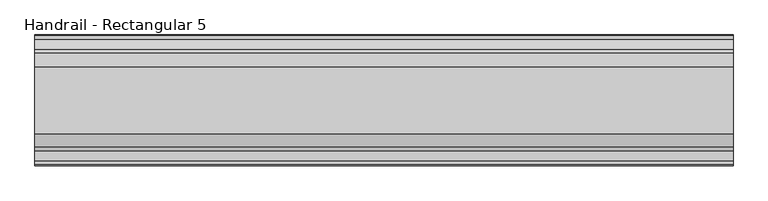
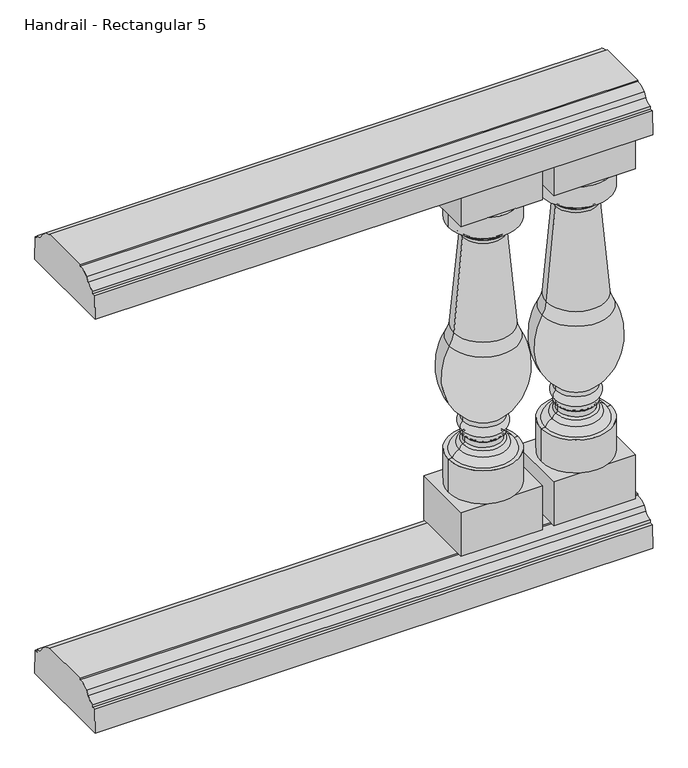
"""IFC4 building model written with IfcOpenShell, lengths in millimetres: railing geometry, Handrail - Rectangular 5."""

from ifc_helpers import new_model, si_unit, point, frame, frame_2d, origin, place, context, project, spatial, polyline, circle_curve, ellipse_curve, trimmed, segment, composite_curve, outline, extrude, source, transform, mapped, element, save
from ifc_brep_helpers import plane_surface, cylinder_surface, revolved_surface, advanced_brep


def handrail_rectangular_5_c5149865(model_context):
    return source(origin(), model_context, "Body", "SolidModel", [
        extrude(outline(composite_curve([segment(trimmed(circle_curve(frame_2d((2037.3551798, 1054.89375)), 19.84375), [point((2037.3551798, 1035.05))], [point((2054.4756216, 1044.8605607))], True, "CARTESIAN"), True, "CONTINUOUS"), segment(polyline([(2054.4756216, 1044.8605607), (2060.9356936, 1054.3201059)]), True, "CONTINUOUS"), segment(trimmed(circle_curve(frame_2d((2084.9801798, 1027.90625)), 35.71875), [point((2060.9356936, 1054.3201059))], [point((2084.9801798, 1063.625))], False, "CARTESIAN"), True, "CONTINUOUS"), segment(polyline([(2084.9801798, 1063.625), (2084.9801798, 1066.8), (2200.8676798, 1066.8), (2200.8676798, 1063.625)]), True, "CONTINUOUS"), segment(trimmed(circle_curve(frame_2d((2200.8676798, 1027.90625)), 35.71875), [point((2200.8676798, 1063.625))], [point((2224.912166, 1054.3201059))], False, "CARTESIAN"), True, "CONTINUOUS"), segment(polyline([(2224.912166, 1054.3201059), (2231.372238, 1044.8605607)]), True, "CONTINUOUS"), segment(trimmed(circle_curve(frame_2d((2248.4926798, 1054.89375)), 19.84375), [point((2231.372238, 1044.8605607))], [point((2248.4926798, 1035.05))], True, "CARTESIAN"), True, "CONTINUOUS"), segment(polyline([(2248.4926798, 1035.05), (2248.4926798, 1028.7), (2255.6364298, 1028.7), (2257.2239298, 974.725), (2028.6239298, 974.725), (2030.2114298, 1028.7), (2037.3551798, 1028.7), (2037.3551798, 1035.05)]), True, "CONTINUOUS")], self_intersect=False)), frame((11962.7566037, 0.0, 0.0), z_axis=(1.0, 0.0, 0.0), x_axis=(0.0, 1.0, 0.0)), (0.0, 0.0, 1.0), 1219.2),
        extrude(outline(composite_curve([segment(trimmed(circle_curve(frame_2d((2037.3551798, 99.21875)), 19.84375), [point((2037.3551798, 79.375))], [point((2054.4756216, 89.1855607))], True, "CARTESIAN"), True, "CONTINUOUS"), segment(polyline([(2054.4756216, 89.1855607), (2060.9356936, 98.6451059)]), True, "CONTINUOUS"), segment(trimmed(circle_curve(frame_2d((2084.9801798, 72.23125)), 35.71875), [point((2060.9356936, 98.6451059))], [point((2084.9801798, 107.95))], False, "CARTESIAN"), True, "CONTINUOUS"), segment(polyline([(2084.9801798, 107.95), (2084.9801798, 111.125), (2200.8676798, 111.125), (2200.8676798, 107.95)]), True, "CONTINUOUS"), segment(trimmed(circle_curve(frame_2d((2200.8676798, 72.23125)), 35.71875), [point((2200.8676798, 107.95))], [point((2224.912166, 98.6451059))], False, "CARTESIAN"), True, "CONTINUOUS"), segment(polyline([(2224.912166, 98.6451059), (2231.372238, 89.1855607)]), True, "CONTINUOUS"), segment(trimmed(circle_curve(frame_2d((2248.4926798, 99.21875)), 19.84375), [point((2231.372238, 89.1855607))], [point((2248.4926798, 79.375))], True, "CARTESIAN"), True, "CONTINUOUS"), segment(polyline([(2248.4926798, 79.375), (2248.4926798, 73.025), (2255.6364298, 73.025), (2257.2239298, 19.05), (2028.6239298, 19.05), (2030.2114298, 73.025), (2037.3551798, 73.025), (2037.3551798, 79.375)]), True, "CONTINUOUS")], self_intersect=False)), frame((11962.7566037, 0.0, 0.0), z_axis=(1.0, 0.0, 0.0), x_axis=(0.0, 1.0, 0.0)), (0.0, 0.0, 1.0), 1219.2),
        advanced_brep(
        [(13004.1566037, 2142.9239298, 873.125), (13156.5566037, 2142.9239298, 873.125), (13080.3566037, 2142.9239298, 873.125), (13004.1566037, 2142.9239298, 825.4490755), (13156.5566037, 2142.9239298, 825.4490755), (13014.199835, 2142.9239298, 825.4490755), (13146.5133725, 2142.9239298, 825.4490755), (13025.6831249, 2142.9239298, 813.9657856), (13135.0300826, 2142.9239298, 813.9657856), (13025.6831249, 2142.9239298, 808.3461292), (13135.0300826, 2142.9239298, 808.3461292), (13031.385312, 2142.9239298, 802.2016975), (13129.3278955, 2142.9239298, 802.2016975), (13034.7271078, 2142.9239298, 792.8428746), (13125.9860997, 2142.9239298, 792.8428746), (13015.9596018, 2142.9239298, 577.4758218), (13144.7536056, 2142.9239298, 577.4758218), (13006.9423791, 2142.9239298, 549.5125844), (13153.7708283, 2142.9239298, 549.5125844), (13036.2132114, 2142.9239298, 376.7693301), (13124.499996, 2142.9239298, 376.7693301), (13036.2132114, 2142.9239298, 366.4437154), (13124.499996, 2142.9239298, 366.4437154), (13036.2132114, 2142.9239298, 343.8682651), (13124.499996, 2142.9239298, 343.8682651), (13036.2132114, 2142.9239298, 333.5426504), (13124.499996, 2142.9239298, 333.5426504), (13040.5236517, 2142.9239298, 329.2322102), (13120.1895558, 2142.9239298, 329.2322102), (13040.5236517, 2142.9239298, 317.4353211), (13120.1895558, 2142.9239298, 317.4353211), (13036.0258586, 2142.9239298, 313.1289544), (13124.6873488, 2142.9239298, 313.1289544), (13028.5054015, 2142.9239298, 303.0807869), (13132.2078059, 2142.9239298, 303.0807869), (13013.3567928, 2142.9239298, 288.925), (13147.3564146, 2142.9239298, 288.925), (13004.1566037, 2142.9239298, 288.925), (13156.5566037, 2142.9239298, 288.925), (13004.1566037, 2142.9239298, 212.725), (13156.5566037, 2142.9239298, 212.725), (13080.3566037, 2142.9239298, 212.725)],
        [
            (0, 1, circle_curve(frame((13080.3566037, 2142.9239298, 873.125), z_axis=(0.0, 0.0, 1.0), x_axis=(1.0, 0.0, 0.0)), 76.2)),
            (1, 2),
            (2, 0),
            (1, 0, circle_curve(frame((13080.3566037, 2142.9239298, 873.125), z_axis=(0.0, 0.0, 1.0), x_axis=(1.0, 0.0, 0.0)), 76.2)),
            (3, 4, circle_curve(frame((13080.3566037, 2142.9239298, 825.4490755), z_axis=(0.0, 0.0, 1.0), x_axis=(1.0, 0.0, 0.0)), 76.2)),
            (4, 1),
            (0, 3),
            (4, 3, circle_curve(frame((13080.3566037, 2142.9239298, 825.4490755), z_axis=(0.0, 0.0, 1.0), x_axis=(1.0, 0.0, 0.0)), 76.2)),
            (5, 6, circle_curve(frame((13080.3566037, 2142.9239298, 825.4490755), z_axis=(0.0, 0.0, 1.0), x_axis=(1.0, 0.0, 0.0)), 66.1567687)),
            (6, 4),
            (3, 5),
            (6, 5, circle_curve(frame((13080.3566037, 2142.9239298, 825.4490755), z_axis=(0.0, 0.0, 1.0), x_axis=(1.0, 0.0, 0.0)), 66.1567687)),
            (7, 8, circle_curve(frame((13080.3566037, 2142.9239298, 813.9657856), z_axis=(0.0, 0.0, 1.0), x_axis=(1.0, 0.0, 0.0)), 54.6734788)),
            (8, 6, circle_curve(frame((13135.0300826, 2142.9239298, 825.4490755), z_axis=(0.0, -1.0, 0.0), x_axis=(-1.0, 0.0, 0.0)), 11.4832899)),
            (5, 7, circle_curve(frame((13025.6831249, 2142.9239298, 825.4490755), z_axis=(0.0, -1.0, 0.0), x_axis=(1.0, 0.0, 0.0)), 11.4832899)),
            (8, 7, circle_curve(frame((13080.3566037, 2142.9239298, 813.9657856), z_axis=(0.0, 0.0, 1.0), x_axis=(1.0, 0.0, 0.0)), 54.6734788)),
            (9, 10, circle_curve(frame((13080.3566037, 2142.9239298, 808.3461292), z_axis=(0.0, 0.0, 1.0), x_axis=(1.0, 0.0, 0.0)), 54.6734788)),
            (10, 8),
            (7, 9),
            (10, 9, circle_curve(frame((13080.3566037, 2142.9239298, 808.3461292), z_axis=(0.0, 0.0, 1.0), x_axis=(1.0, 0.0, 0.0)), 54.6734788)),
            (11, 12, circle_curve(frame((13080.3566037, 2142.9239298, 802.2016975), z_axis=(0.0, 0.0, 1.0), x_axis=(1.0, 0.0, 0.0)), 48.9712918)),
            (12, 10, circle_curve(frame((13142.738943, 2142.9239298, 795.4740105), z_axis=(0.0, 1.0, 0.0), x_axis=(-1.0, 0.0, 0.0)), 15.0039317)),
            (9, 11, circle_curve(frame((13017.9742645, 2142.9239298, 795.4740105), z_axis=(0.0, 1.0, 0.0), x_axis=(1.0, 0.0, 0.0)), 15.0039317)),
            (12, 11, circle_curve(frame((13080.3566037, 2142.9239298, 802.2016975), z_axis=(0.0, 0.0, 1.0), x_axis=(1.0, 0.0, 0.0)), 48.9712918)),
            (13, 14, circle_curve(frame((13080.3566037, 2142.9239298, 792.8428746), z_axis=(0.0, 0.0, 1.0), x_axis=(1.0, 0.0, 0.0)), 45.629496)),
            (14, 12, circle_curve(frame((13138.663988, 2142.9239298, 793.5919719), z_axis=(0.0, 1.0, 0.0), x_axis=(-1.0, 0.0, 0.0)), 12.7)),
            (11, 13, circle_curve(frame((13022.0492194, 2142.9239298, 793.5919719), z_axis=(0.0, 1.0, 0.0), x_axis=(1.0, 0.0, 0.0)), 12.7)),
            (14, 13, circle_curve(frame((13080.3566037, 2142.9239298, 792.8428746), z_axis=(0.0, 0.0, 1.0), x_axis=(1.0, 0.0, 0.0)), 45.629496)),
            (15, 16, circle_curve(frame((13080.3566037, 2142.9239298, 577.4758218), z_axis=(0.0, 0.0, 1.0), x_axis=(1.0, 0.0, 0.0)), 64.3970019)),
            (16, 14, circle_curve(frame((16993.4276241, 2142.9239298, 1021.358044), z_axis=(0.0, 1.0, 0.0), x_axis=(-1.0, 0.0, 0.0)), 3874.1867698)),
            (13, 15, circle_curve(frame((9167.2855833, 2142.9239298, 1021.358044), z_axis=(0.0, 1.0, 0.0), x_axis=(1.0, 0.0, 0.0)), 3874.1867698)),
            (16, 15, circle_curve(frame((13080.3566037, 2142.9239298, 577.4758218), z_axis=(0.0, 0.0, 1.0), x_axis=(1.0, 0.0, 0.0)), 64.3970019)),
            (17, 18, circle_curve(frame((13080.3566037, 2142.9239298, 549.5125844), z_axis=(0.0, 0.0, 1.0), x_axis=(1.0, 0.0, 0.0)), 73.4142246)),
            (18, 16, circle_curve(frame((13219.2732583, 2142.9239298, 586.070457), z_axis=(0.0, 1.0, 0.0), x_axis=(-1.0, 0.0, 0.0)), 75.0136413)),
            (15, 17, circle_curve(frame((12941.4399492, 2142.9239298, 586.070457), z_axis=(0.0, 1.0, 0.0), x_axis=(1.0, 0.0, 0.0)), 75.0136413)),
            (18, 17, circle_curve(frame((13080.3566037, 2142.9239298, 549.5125844), z_axis=(0.0, 0.0, 1.0), x_axis=(1.0, 0.0, 0.0)), 73.4142246)),
            (19, 20, circle_curve(frame((13080.3566037, 2142.9239298, 376.7693301), z_axis=(0.0, 0.0, 1.0), x_axis=(1.0, 0.0, 0.0)), 44.1433923)),
            (20, 18, circle_curve(frame((13031.648479, 2142.9239298, 481.3542994), z_axis=(0.0, -1.0, 0.0), x_axis=(-1.0, 0.0, 0.0)), 139.8549964)),
            (17, 19, circle_curve(frame((13129.0647284, 2142.9239298, 481.3542994), z_axis=(0.0, -1.0, 0.0), x_axis=(1.0, 0.0, 0.0)), 139.8549964)),
            (20, 19, circle_curve(frame((13080.3566037, 2142.9239298, 376.7693301), z_axis=(0.0, 0.0, 1.0), x_axis=(1.0, 0.0, 0.0)), 44.1433923)),
            (21, 22, circle_curve(frame((13080.3566037, 2142.9239298, 366.4437154), z_axis=(0.0, 0.0, 1.0), x_axis=(1.0, 0.0, 0.0)), 44.1433923)),
            (22, 20),
            (19, 21),
            (22, 21, circle_curve(frame((13080.3566037, 2142.9239298, 366.4437154), z_axis=(0.0, 0.0, 1.0), x_axis=(1.0, 0.0, 0.0)), 44.1433923)),
            (23, 24, circle_curve(frame((13080.3566037, 2142.9239298, 343.8682651), z_axis=(0.0, 0.0, 1.0), x_axis=(1.0, 0.0, 0.0)), 44.1433923)),
            (24, 22, circle_curve(frame((13116.2079682, 2142.9239298, 355.1559903), z_axis=(0.0, -1.0, 0.0), x_axis=(-1.0, 0.0, 0.0)), 14.0060867)),
            (21, 23, circle_curve(frame((13044.5052393, 2142.9239298, 355.1559903), z_axis=(0.0, -1.0, 0.0), x_axis=(1.0, 0.0, 0.0)), 14.0060867)),
            (24, 23, circle_curve(frame((13080.3566037, 2142.9239298, 343.8682651), z_axis=(0.0, 0.0, 1.0), x_axis=(1.0, 0.0, 0.0)), 44.1433923)),
            (25, 26, circle_curve(frame((13080.3566037, 2142.9239298, 333.5426504), z_axis=(0.0, 0.0, 1.0), x_axis=(1.0, 0.0, 0.0)), 44.1433923)),
            (26, 24),
            (23, 25),
            (26, 25, circle_curve(frame((13080.3566037, 2142.9239298, 333.5426504), z_axis=(0.0, 0.0, 1.0), x_axis=(1.0, 0.0, 0.0)), 44.1433923)),
            (27, 28, circle_curve(frame((13080.3566037, 2142.9239298, 329.2322102), z_axis=(0.0, 0.0, 1.0), x_axis=(1.0, 0.0, 0.0)), 39.8329521)),
            (28, 26, circle_curve(frame((13124.499996, 2142.9239298, 329.2322102), z_axis=(0.0, 1.0, 0.0), x_axis=(-1.0, 0.0, 0.0)), 4.3104402)),
            (25, 27, circle_curve(frame((13036.2132114, 2142.9239298, 329.2322102), z_axis=(0.0, 1.0, 0.0), x_axis=(1.0, 0.0, 0.0)), 4.3104402)),
            (28, 27, circle_curve(frame((13080.3566037, 2142.9239298, 329.2322102), z_axis=(0.0, 0.0, 1.0), x_axis=(1.0, 0.0, 0.0)), 39.8329521)),
            (29, 30, circle_curve(frame((13080.3566037, 2142.9239298, 317.4353211), z_axis=(0.0, 0.0, 1.0), x_axis=(1.0, 0.0, 0.0)), 39.8329521)),
            (30, 28),
            (27, 29),
            (30, 29, circle_curve(frame((13080.3566037, 2142.9239298, 317.4353211), z_axis=(0.0, 0.0, 1.0), x_axis=(1.0, 0.0, 0.0)), 39.8329521)),
            (31, 32, circle_curve(frame((13080.3566037, 2142.9239298, 313.1289544), z_axis=(0.0, 0.0, 1.0), x_axis=(1.0, 0.0, 0.0)), 44.3307451)),
            (32, 30, circle_curve(frame((13124.499996, 2142.9239298, 317.4353211), z_axis=(0.0, 1.0, 0.0), x_axis=(-1.0, 0.0, 0.0)), 4.3104402)),
            (29, 31, circle_curve(frame((13036.2132114, 2142.9239298, 317.4353211), z_axis=(0.0, 1.0, 0.0), x_axis=(1.0, 0.0, 0.0)), 4.3104402)),
            (32, 31, circle_curve(frame((13080.3566037, 2142.9239298, 313.1289544), z_axis=(0.0, 0.0, 1.0), x_axis=(1.0, 0.0, 0.0)), 44.3307451)),
            (33, 34, circle_curve(frame((13080.3566037, 2142.9239298, 303.0807869), z_axis=(0.0, 0.0, 1.0), x_axis=(1.0, 0.0, 0.0)), 51.8512022)),
            (34, 32, circle_curve(frame((13117.5684896, 2142.9239298, 299.962519), z_axis=(0.0, -1.0, 0.0), x_axis=(-1.0, 0.0, 0.0)), 14.9677378)),
            (31, 33, circle_curve(frame((13043.1447178, 2142.9239298, 299.962519), z_axis=(0.0, -1.0, 0.0), x_axis=(1.0, 0.0, 0.0)), 14.9677378)),
            (34, 33, circle_curve(frame((13080.3566037, 2142.9239298, 303.0807869), z_axis=(0.0, 0.0, 1.0), x_axis=(1.0, 0.0, 0.0)), 51.8512022)),
            (35, 36, circle_curve(frame((13080.3566037, 2142.9239298, 288.925), z_axis=(0.0, 0.0, 1.0), x_axis=(1.0, 0.0, 0.0)), 66.9998109)),
            (36, 34, circle_curve(frame((13126.9589578, 2142.9239298, 282.2803841), z_axis=(0.0, -1.0, 0.0), x_axis=(-1.0, 0.0, 0.0)), 21.4524396)),
            (33, 35, circle_curve(frame((13033.7542496, 2142.9239298, 282.2803841), z_axis=(0.0, -1.0, 0.0), x_axis=(1.0, 0.0, 0.0)), 21.4524396)),
            (36, 35, circle_curve(frame((13080.3566037, 2142.9239298, 288.925), z_axis=(0.0, 0.0, 1.0), x_axis=(1.0, 0.0, 0.0)), 66.9998109)),
            (37, 38, circle_curve(frame((13080.3566037, 2142.9239298, 288.925), z_axis=(0.0, 0.0, 1.0), x_axis=(1.0, 0.0, 0.0)), 76.2)),
            (38, 36),
            (35, 37),
            (38, 37, circle_curve(frame((13080.3566037, 2142.9239298, 288.925), z_axis=(0.0, 0.0, 1.0), x_axis=(1.0, 0.0, 0.0)), 76.2)),
            (39, 40, circle_curve(frame((13080.3566037, 2142.9239298, 212.725), z_axis=(0.0, 0.0, 1.0), x_axis=(1.0, 0.0, 0.0)), 76.2)),
            (40, 38),
            (37, 39),
            (40, 39, circle_curve(frame((13080.3566037, 2142.9239298, 212.725), z_axis=(0.0, 0.0, 1.0), x_axis=(1.0, 0.0, 0.0)), 76.2)),
            (41, 40),
            (39, 41),
        ],
        [
            plane_surface(frame((13080.3566037, 2142.9239298, 873.125), z_axis=(0.0, 0.0, 1.0), x_axis=(1.0, 0.0, 0.0))),
            cylinder_surface(frame((13080.3566037, 2142.9239298, 841.375), z_axis=(0.0, 0.0, -1.0), x_axis=(1.0, 0.0, 0.0)), 76.2),
            plane_surface(frame((13080.3566037, 2142.9239298, 825.4490755), z_axis=(0.0, 0.0, -1.0), x_axis=(1.0, 0.0, 0.0))),
            revolved_surface(trimmed(ellipse_curve(frame((13135.0300826, 2142.9239298, 825.4490755), z_axis=(0.0, 1.0, 0.0), x_axis=(-1.0, 0.0, 0.0)), 11.4832899, 11.4832899), [point((13146.5133725, 2142.9239298, 825.4490755))], [point((13135.0300826, 2142.9239298, 813.9657856))], True, "CARTESIAN"), (13080.3566037, 2142.9239298, 841.375), (0.0, 0.0, -1.0)),
            cylinder_surface(frame((13080.3566037, 2142.9239298, 841.375), z_axis=(0.0, 0.0, -1.0), x_axis=(1.0, 0.0, 0.0)), 54.6734788),
            revolved_surface(trimmed(ellipse_curve(frame((13142.738943, 2142.9239298, 795.4740105), z_axis=(0.0, -1.0, 0.0), x_axis=(-1.0, 0.0, 0.0)), 15.0039317, 15.0039317), [point((13135.0300826, 2142.9239298, 808.3461292))], [point((13129.3278955, 2142.9239298, 802.2016975))], True, "CARTESIAN"), (13080.3566037, 2142.9239298, 841.375), (0.0, 0.0, -1.0)),
            revolved_surface(trimmed(ellipse_curve(frame((13138.663988, 2142.9239298, 793.5919719), z_axis=(0.0, -1.0, 0.0), x_axis=(-1.0, 0.0, 0.0)), 12.7, 12.7), [point((13129.3278955, 2142.9239298, 802.2016975))], [point((13125.9860997, 2142.9239298, 792.8428746))], True, "CARTESIAN"), (13080.3566037, 2142.9239298, 841.375), (0.0, 0.0, -1.0)),
            revolved_surface(trimmed(ellipse_curve(frame((16993.4276241, 2142.9239298, 1021.358044), z_axis=(0.0, -1.0, 0.0), x_axis=(-1.0, 0.0, 0.0)), 3874.1867698, 3874.1867698), [point((13125.9860997, 2142.9239298, 792.8428746))], [point((13144.7536056, 2142.9239298, 577.4758218))], True, "CARTESIAN"), (13080.3566037, 2142.9239298, 841.375), (0.0, 0.0, -1.0)),
            revolved_surface(trimmed(ellipse_curve(frame((13219.2732583, 2142.9239298, 586.070457), z_axis=(0.0, -1.0, 0.0), x_axis=(-1.0, 0.0, 0.0)), 75.0136413, 75.0136413), [point((13144.7536056, 2142.9239298, 577.4758218))], [point((13153.7708283, 2142.9239298, 549.5125844))], True, "CARTESIAN"), (13080.3566037, 2142.9239298, 841.375), (0.0, 0.0, -1.0)),
            revolved_surface(trimmed(ellipse_curve(frame((13031.648479, 2142.9239298, 481.3542994), z_axis=(0.0, 1.0, 0.0), x_axis=(-1.0, 0.0, 0.0)), 139.8549964, 139.8549964), [point((13153.7708283, 2142.9239298, 549.5125844))], [point((13124.499996, 2142.9239298, 376.7693301))], True, "CARTESIAN"), (13080.3566037, 2142.9239298, 841.375), (0.0, 0.0, -1.0)),
            cylinder_surface(frame((13080.3566037, 2142.9239298, 841.375), z_axis=(0.0, 0.0, -1.0), x_axis=(1.0, 0.0, 0.0)), 44.1433923),
            revolved_surface(trimmed(ellipse_curve(frame((13116.2079682, 2142.9239298, 355.1559903), z_axis=(0.0, 1.0, 0.0), x_axis=(-1.0, 0.0, 0.0)), 14.0060867, 14.0060867), [point((13124.499996, 2142.9239298, 366.4437154))], [point((13124.499996, 2142.9239298, 343.8682651))], True, "CARTESIAN"), (13080.3566037, 2142.9239298, 841.375), (0.0, 0.0, -1.0)),
            revolved_surface(trimmed(ellipse_curve(frame((13124.499996, 2142.9239298, 329.2322102), z_axis=(0.0, -1.0, 0.0), x_axis=(-1.0, 0.0, 0.0)), 4.3104402, 4.3104402), [point((13124.499996, 2142.9239298, 333.5426504))], [point((13120.1895558, 2142.9239298, 329.2322102))], True, "CARTESIAN"), (13080.3566037, 2142.9239298, 841.375), (0.0, 0.0, -1.0)),
            cylinder_surface(frame((13080.3566037, 2142.9239298, 841.375), z_axis=(0.0, 0.0, -1.0), x_axis=(1.0, 0.0, 0.0)), 39.8329521),
            revolved_surface(trimmed(ellipse_curve(frame((13124.499996, 2142.9239298, 317.4353211), z_axis=(0.0, -1.0, 0.0), x_axis=(-1.0, 0.0, 0.0)), 4.3104402, 4.3104402), [point((13120.1895558, 2142.9239298, 317.4353211))], [point((13124.6873488, 2142.9239298, 313.1289544))], True, "CARTESIAN"), (13080.3566037, 2142.9239298, 841.375), (0.0, 0.0, -1.0)),
            revolved_surface(trimmed(ellipse_curve(frame((13117.5684896, 2142.9239298, 299.962519), z_axis=(0.0, 1.0, 0.0), x_axis=(-1.0, 0.0, 0.0)), 14.9677378, 14.9677378), [point((13124.6873488, 2142.9239298, 313.1289544))], [point((13132.2078059, 2142.9239298, 303.0807869))], True, "CARTESIAN"), (13080.3566037, 2142.9239298, 841.375), (0.0, 0.0, -1.0)),
            revolved_surface(trimmed(ellipse_curve(frame((13126.9589578, 2142.9239298, 282.2803841), z_axis=(0.0, 1.0, 0.0), x_axis=(-1.0, 0.0, 0.0)), 21.4524396, 21.4524396), [point((13132.2078059, 2142.9239298, 303.0807869))], [point((13147.3564146, 2142.9239298, 288.925))], True, "CARTESIAN"), (13080.3566037, 2142.9239298, 841.375), (0.0, 0.0, -1.0)),
            plane_surface(frame((13080.3566037, 2142.9239298, 288.925), z_axis=(0.0, 0.0, 1.0), x_axis=(1.0, 0.0, 0.0))),
            plane_surface(frame((13080.3566037, 2142.9239298, 212.725), z_axis=(0.0, 0.0, -1.0), x_axis=(1.0, 0.0, 0.0))),
        ],
        [
            (0, [[1, 2, 3]]),
            (0, [[4, -3, -2]]),
            (1, [[5, 6, -1, 7]]),
            (1, [[8, -7, -4, -6]]),
            (2, [[9, 10, -5, 11]]),
            (2, [[12, -11, -8, -10]]),
            (3, [[13, 14, -9, 15]]),
            (3, [[16, -15, -12, -14]]),
            (4, [[17, 18, -13, 19]]),
            (4, [[20, -19, -16, -18]]),
            (5, [[21, 22, -17, 23]]),
            (5, [[24, -23, -20, -22]]),
            (6, [[25, 26, -21, 27]]),
            (6, [[28, -27, -24, -26]]),
            (7, [[29, 30, -25, 31]]),
            (7, [[32, -31, -28, -30]]),
            (8, [[33, 34, -29, 35]]),
            (8, [[36, -35, -32, -34]]),
            (9, [[37, 38, -33, 39]]),
            (9, [[40, -39, -36, -38]]),
            (10, [[41, 42, -37, 43]]),
            (10, [[44, -43, -40, -42]]),
            (11, [[45, 46, -41, 47]]),
            (11, [[48, -47, -44, -46]]),
            (10, [[49, 50, -45, 51]]),
            (10, [[52, -51, -48, -50]]),
            (12, [[53, 54, -49, 55]]),
            (12, [[56, -55, -52, -54]]),
            (13, [[57, 58, -53, 59]]),
            (13, [[60, -59, -56, -58]]),
            (14, [[61, 62, -57, 63]]),
            (14, [[64, -63, -60, -62]]),
            (15, [[65, 66, -61, 67]]),
            (15, [[68, -67, -64, -66]]),
            (16, [[69, 70, -65, 71]]),
            (16, [[72, -71, -68, -70]]),
            (17, [[73, 74, -69, 75]]),
            (17, [[76, -75, -72, -74]]),
            (1, [[77, 78, -73, 79]]),
            (1, [[80, -79, -76, -78]]),
            (18, [[81, -77, 82]]),
            (18, [[-82, -80, -81]]),
        ],
    ),
        extrude(outline(polyline([(12991.4566037, 2073.0739298), (12991.4566037, 2212.7739298), (13169.2566037, 2212.7739298), (13169.2566037, 2073.0739298), (12991.4566037, 2073.0739298)])), frame((0.0, 0.0, 111.125), z_axis=(0.0, 0.0, 1.0), x_axis=(1.0, 0.0, 0.0)), (0.0, 0.0, 1.0), 101.6),
        extrude(outline(polyline([(12991.4566037, 2212.7739298), (13169.2566037, 2212.7739298), (13169.2566037, 2073.0739298), (12991.4566037, 2073.0739298), (12991.4566037, 2212.7739298)])), frame((0.0, 0.0, 873.125), z_axis=(0.0, 0.0, 1.0), x_axis=(1.0, 0.0, 0.0)), (0.0, 0.0, 1.0), 101.6),
        advanced_brep(
        [(12800.9566037, 2142.9239298, 873.125), (12953.3566037, 2142.9239298, 873.125), (12877.1566037, 2142.9239298, 873.125), (12800.9566037, 2142.9239298, 825.4490755), (12953.3566037, 2142.9239298, 825.4490755), (12810.999835, 2142.9239298, 825.4490755), (12943.3133725, 2142.9239298, 825.4490755), (12822.4831249, 2142.9239298, 813.9657856), (12931.8300826, 2142.9239298, 813.9657856), (12822.4831249, 2142.9239298, 808.3461292), (12931.8300826, 2142.9239298, 808.3461292), (12828.185312, 2142.9239298, 802.2016975), (12926.1278955, 2142.9239298, 802.2016975), (12831.5271078, 2142.9239298, 792.8428746), (12922.7860997, 2142.9239298, 792.8428746), (12812.7596018, 2142.9239298, 577.4758218), (12941.5536056, 2142.9239298, 577.4758218), (12803.7423791, 2142.9239298, 549.5125844), (12950.5708283, 2142.9239298, 549.5125844), (12833.0132114, 2142.9239298, 376.7693301), (12921.299996, 2142.9239298, 376.7693301), (12833.0132114, 2142.9239298, 366.4437154), (12921.299996, 2142.9239298, 366.4437154), (12833.0132114, 2142.9239298, 343.8682651), (12921.299996, 2142.9239298, 343.8682651), (12833.0132114, 2142.9239298, 333.5426504), (12921.299996, 2142.9239298, 333.5426504), (12837.3236517, 2142.9239298, 329.2322102), (12916.9895558, 2142.9239298, 329.2322102), (12837.3236517, 2142.9239298, 317.4353211), (12916.9895558, 2142.9239298, 317.4353211), (12832.8258586, 2142.9239298, 313.1289544), (12921.4873488, 2142.9239298, 313.1289544), (12825.3054015, 2142.9239298, 303.0807869), (12929.0078059, 2142.9239298, 303.0807869), (12810.1567928, 2142.9239298, 288.925), (12944.1564146, 2142.9239298, 288.925), (12800.9566037, 2142.9239298, 288.925), (12953.3566037, 2142.9239298, 288.925), (12800.9566037, 2142.9239298, 212.725), (12953.3566037, 2142.9239298, 212.725), (12877.1566037, 2142.9239298, 212.725)],
        [
            (0, 1, circle_curve(frame((12877.1566037, 2142.9239298, 873.125), z_axis=(0.0, 0.0, 1.0), x_axis=(1.0, 0.0, 0.0)), 76.2)),
            (1, 2),
            (2, 0),
            (1, 0, circle_curve(frame((12877.1566037, 2142.9239298, 873.125), z_axis=(0.0, 0.0, 1.0), x_axis=(1.0, 0.0, 0.0)), 76.2)),
            (3, 4, circle_curve(frame((12877.1566037, 2142.9239298, 825.4490755), z_axis=(0.0, 0.0, 1.0), x_axis=(1.0, 0.0, 0.0)), 76.2)),
            (4, 1),
            (0, 3),
            (4, 3, circle_curve(frame((12877.1566037, 2142.9239298, 825.4490755), z_axis=(0.0, 0.0, 1.0), x_axis=(1.0, 0.0, 0.0)), 76.2)),
            (5, 6, circle_curve(frame((12877.1566037, 2142.9239298, 825.4490755), z_axis=(0.0, 0.0, 1.0), x_axis=(1.0, 0.0, 0.0)), 66.1567687)),
            (6, 4),
            (3, 5),
            (6, 5, circle_curve(frame((12877.1566037, 2142.9239298, 825.4490755), z_axis=(0.0, 0.0, 1.0), x_axis=(1.0, 0.0, 0.0)), 66.1567687)),
            (7, 8, circle_curve(frame((12877.1566037, 2142.9239298, 813.9657856), z_axis=(0.0, 0.0, 1.0), x_axis=(1.0, 0.0, 0.0)), 54.6734788)),
            (8, 6, circle_curve(frame((12931.8300826, 2142.9239298, 825.4490755), z_axis=(0.0, -1.0, 0.0), x_axis=(-1.0, 0.0, 0.0)), 11.4832899)),
            (5, 7, circle_curve(frame((12822.4831249, 2142.9239298, 825.4490755), z_axis=(0.0, -1.0, 0.0), x_axis=(1.0, 0.0, 0.0)), 11.4832899)),
            (8, 7, circle_curve(frame((12877.1566037, 2142.9239298, 813.9657856), z_axis=(0.0, 0.0, 1.0), x_axis=(1.0, 0.0, 0.0)), 54.6734788)),
            (9, 10, circle_curve(frame((12877.1566037, 2142.9239298, 808.3461292), z_axis=(0.0, 0.0, 1.0), x_axis=(1.0, 0.0, 0.0)), 54.6734788)),
            (10, 8),
            (7, 9),
            (10, 9, circle_curve(frame((12877.1566037, 2142.9239298, 808.3461292), z_axis=(0.0, 0.0, 1.0), x_axis=(1.0, 0.0, 0.0)), 54.6734788)),
            (11, 12, circle_curve(frame((12877.1566037, 2142.9239298, 802.2016975), z_axis=(0.0, 0.0, 1.0), x_axis=(1.0, 0.0, 0.0)), 48.9712918)),
            (12, 10, circle_curve(frame((12939.538943, 2142.9239298, 795.4740105), z_axis=(0.0, 1.0, 0.0), x_axis=(-1.0, 0.0, 0.0)), 15.0039317)),
            (9, 11, circle_curve(frame((12814.7742645, 2142.9239298, 795.4740105), z_axis=(0.0, 1.0, 0.0), x_axis=(1.0, 0.0, 0.0)), 15.0039317)),
            (12, 11, circle_curve(frame((12877.1566037, 2142.9239298, 802.2016975), z_axis=(0.0, 0.0, 1.0), x_axis=(1.0, 0.0, 0.0)), 48.9712918)),
            (13, 14, circle_curve(frame((12877.1566037, 2142.9239298, 792.8428746), z_axis=(0.0, 0.0, 1.0), x_axis=(1.0, 0.0, 0.0)), 45.629496)),
            (14, 12, circle_curve(frame((12935.463988, 2142.9239298, 793.5919719), z_axis=(0.0, 1.0, 0.0), x_axis=(-1.0, 0.0, 0.0)), 12.7)),
            (11, 13, circle_curve(frame((12818.8492194, 2142.9239298, 793.5919719), z_axis=(0.0, 1.0, 0.0), x_axis=(1.0, 0.0, 0.0)), 12.7)),
            (14, 13, circle_curve(frame((12877.1566037, 2142.9239298, 792.8428746), z_axis=(0.0, 0.0, 1.0), x_axis=(1.0, 0.0, 0.0)), 45.629496)),
            (15, 16, circle_curve(frame((12877.1566037, 2142.9239298, 577.4758218), z_axis=(0.0, 0.0, 1.0), x_axis=(1.0, 0.0, 0.0)), 64.3970019)),
            (16, 14, circle_curve(frame((16790.2276241, 2142.9239298, 1021.358044), z_axis=(0.0, 1.0, 0.0), x_axis=(-1.0, 0.0, 0.0)), 3874.1867698)),
            (13, 15, circle_curve(frame((8964.0855833, 2142.9239298, 1021.358044), z_axis=(0.0, 1.0, 0.0), x_axis=(1.0, 0.0, 0.0)), 3874.1867698)),
            (16, 15, circle_curve(frame((12877.1566037, 2142.9239298, 577.4758218), z_axis=(0.0, 0.0, 1.0), x_axis=(1.0, 0.0, 0.0)), 64.3970019)),
            (17, 18, circle_curve(frame((12877.1566037, 2142.9239298, 549.5125844), z_axis=(0.0, 0.0, 1.0), x_axis=(1.0, 0.0, 0.0)), 73.4142246)),
            (18, 16, circle_curve(frame((13016.0732583, 2142.9239298, 586.070457), z_axis=(0.0, 1.0, 0.0), x_axis=(-1.0, 0.0, 0.0)), 75.0136413)),
            (15, 17, circle_curve(frame((12738.2399492, 2142.9239298, 586.070457), z_axis=(0.0, 1.0, 0.0), x_axis=(1.0, 0.0, 0.0)), 75.0136413)),
            (18, 17, circle_curve(frame((12877.1566037, 2142.9239298, 549.5125844), z_axis=(0.0, 0.0, 1.0), x_axis=(1.0, 0.0, 0.0)), 73.4142246)),
            (19, 20, circle_curve(frame((12877.1566037, 2142.9239298, 376.7693301), z_axis=(0.0, 0.0, 1.0), x_axis=(1.0, 0.0, 0.0)), 44.1433923)),
            (20, 18, circle_curve(frame((12828.448479, 2142.9239298, 481.3542994), z_axis=(0.0, -1.0, 0.0), x_axis=(-1.0, 0.0, 0.0)), 139.8549964)),
            (17, 19, circle_curve(frame((12925.8647284, 2142.9239298, 481.3542994), z_axis=(0.0, -1.0, 0.0), x_axis=(1.0, 0.0, 0.0)), 139.8549964)),
            (20, 19, circle_curve(frame((12877.1566037, 2142.9239298, 376.7693301), z_axis=(0.0, 0.0, 1.0), x_axis=(1.0, 0.0, 0.0)), 44.1433923)),
            (21, 22, circle_curve(frame((12877.1566037, 2142.9239298, 366.4437154), z_axis=(0.0, 0.0, 1.0), x_axis=(1.0, 0.0, 0.0)), 44.1433923)),
            (22, 20),
            (19, 21),
            (22, 21, circle_curve(frame((12877.1566037, 2142.9239298, 366.4437154), z_axis=(0.0, 0.0, 1.0), x_axis=(1.0, 0.0, 0.0)), 44.1433923)),
            (23, 24, circle_curve(frame((12877.1566037, 2142.9239298, 343.8682651), z_axis=(0.0, 0.0, 1.0), x_axis=(1.0, 0.0, 0.0)), 44.1433923)),
            (24, 22, circle_curve(frame((12913.0079682, 2142.9239298, 355.1559903), z_axis=(0.0, -1.0, 0.0), x_axis=(-1.0, 0.0, 0.0)), 14.0060867)),
            (21, 23, circle_curve(frame((12841.3052393, 2142.9239298, 355.1559903), z_axis=(0.0, -1.0, 0.0), x_axis=(1.0, 0.0, 0.0)), 14.0060867)),
            (24, 23, circle_curve(frame((12877.1566037, 2142.9239298, 343.8682651), z_axis=(0.0, 0.0, 1.0), x_axis=(1.0, 0.0, 0.0)), 44.1433923)),
            (25, 26, circle_curve(frame((12877.1566037, 2142.9239298, 333.5426504), z_axis=(0.0, 0.0, 1.0), x_axis=(1.0, 0.0, 0.0)), 44.1433923)),
            (26, 24),
            (23, 25),
            (26, 25, circle_curve(frame((12877.1566037, 2142.9239298, 333.5426504), z_axis=(0.0, 0.0, 1.0), x_axis=(1.0, 0.0, 0.0)), 44.1433923)),
            (27, 28, circle_curve(frame((12877.1566037, 2142.9239298, 329.2322102), z_axis=(0.0, 0.0, 1.0), x_axis=(1.0, 0.0, 0.0)), 39.8329521)),
            (28, 26, circle_curve(frame((12921.299996, 2142.9239298, 329.2322102), z_axis=(0.0, 1.0, 0.0), x_axis=(-1.0, 0.0, 0.0)), 4.3104402)),
            (25, 27, circle_curve(frame((12833.0132114, 2142.9239298, 329.2322102), z_axis=(0.0, 1.0, 0.0), x_axis=(1.0, 0.0, 0.0)), 4.3104402)),
            (28, 27, circle_curve(frame((12877.1566037, 2142.9239298, 329.2322102), z_axis=(0.0, 0.0, 1.0), x_axis=(1.0, 0.0, 0.0)), 39.8329521)),
            (29, 30, circle_curve(frame((12877.1566037, 2142.9239298, 317.4353211), z_axis=(0.0, 0.0, 1.0), x_axis=(1.0, 0.0, 0.0)), 39.8329521)),
            (30, 28),
            (27, 29),
            (30, 29, circle_curve(frame((12877.1566037, 2142.9239298, 317.4353211), z_axis=(0.0, 0.0, 1.0), x_axis=(1.0, 0.0, 0.0)), 39.8329521)),
            (31, 32, circle_curve(frame((12877.1566037, 2142.9239298, 313.1289544), z_axis=(0.0, 0.0, 1.0), x_axis=(1.0, 0.0, 0.0)), 44.3307451)),
            (32, 30, circle_curve(frame((12921.299996, 2142.9239298, 317.4353211), z_axis=(0.0, 1.0, 0.0), x_axis=(-1.0, 0.0, 0.0)), 4.3104402)),
            (29, 31, circle_curve(frame((12833.0132114, 2142.9239298, 317.4353211), z_axis=(0.0, 1.0, 0.0), x_axis=(1.0, 0.0, 0.0)), 4.3104402)),
            (32, 31, circle_curve(frame((12877.1566037, 2142.9239298, 313.1289544), z_axis=(0.0, 0.0, 1.0), x_axis=(1.0, 0.0, 0.0)), 44.3307451)),
            (33, 34, circle_curve(frame((12877.1566037, 2142.9239298, 303.0807869), z_axis=(0.0, 0.0, 1.0), x_axis=(1.0, 0.0, 0.0)), 51.8512022)),
            (34, 32, circle_curve(frame((12914.3684896, 2142.9239298, 299.962519), z_axis=(0.0, -1.0, 0.0), x_axis=(-1.0, 0.0, 0.0)), 14.9677378)),
            (31, 33, circle_curve(frame((12839.9447178, 2142.9239298, 299.962519), z_axis=(0.0, -1.0, 0.0), x_axis=(1.0, 0.0, 0.0)), 14.9677378)),
            (34, 33, circle_curve(frame((12877.1566037, 2142.9239298, 303.0807869), z_axis=(0.0, 0.0, 1.0), x_axis=(1.0, 0.0, 0.0)), 51.8512022)),
            (35, 36, circle_curve(frame((12877.1566037, 2142.9239298, 288.925), z_axis=(0.0, 0.0, 1.0), x_axis=(1.0, 0.0, 0.0)), 66.9998109)),
            (36, 34, circle_curve(frame((12923.7589578, 2142.9239298, 282.2803841), z_axis=(0.0, -1.0, 0.0), x_axis=(-1.0, 0.0, 0.0)), 21.4524396)),
            (33, 35, circle_curve(frame((12830.5542496, 2142.9239298, 282.2803841), z_axis=(0.0, -1.0, 0.0), x_axis=(1.0, 0.0, 0.0)), 21.4524396)),
            (36, 35, circle_curve(frame((12877.1566037, 2142.9239298, 288.925), z_axis=(0.0, 0.0, 1.0), x_axis=(1.0, 0.0, 0.0)), 66.9998109)),
            (37, 38, circle_curve(frame((12877.1566037, 2142.9239298, 288.925), z_axis=(0.0, 0.0, 1.0), x_axis=(1.0, 0.0, 0.0)), 76.2)),
            (38, 36),
            (35, 37),
            (38, 37, circle_curve(frame((12877.1566037, 2142.9239298, 288.925), z_axis=(0.0, 0.0, 1.0), x_axis=(1.0, 0.0, 0.0)), 76.2)),
            (39, 40, circle_curve(frame((12877.1566037, 2142.9239298, 212.725), z_axis=(0.0, 0.0, 1.0), x_axis=(1.0, 0.0, 0.0)), 76.2)),
            (40, 38),
            (37, 39),
            (40, 39, circle_curve(frame((12877.1566037, 2142.9239298, 212.725), z_axis=(0.0, 0.0, 1.0), x_axis=(1.0, 0.0, 0.0)), 76.2)),
            (41, 40),
            (39, 41),
        ],
        [
            plane_surface(frame((12877.1566037, 2142.9239298, 873.125), z_axis=(0.0, 0.0, 1.0), x_axis=(1.0, 0.0, 0.0))),
            cylinder_surface(frame((12877.1566037, 2142.9239298, 841.375), z_axis=(0.0, 0.0, -1.0), x_axis=(1.0, 0.0, 0.0)), 76.2),
            plane_surface(frame((12877.1566037, 2142.9239298, 825.4490755), z_axis=(0.0, 0.0, -1.0), x_axis=(1.0, 0.0, 0.0))),
            revolved_surface(trimmed(ellipse_curve(frame((12931.8300826, 2142.9239298, 825.4490755), z_axis=(0.0, 1.0, 0.0), x_axis=(-1.0, 0.0, 0.0)), 11.4832899, 11.4832899), [point((12943.3133725, 2142.9239298, 825.4490755))], [point((12931.8300826, 2142.9239298, 813.9657856))], True, "CARTESIAN"), (12877.1566037, 2142.9239298, 841.375), (0.0, 0.0, -1.0)),
            cylinder_surface(frame((12877.1566037, 2142.9239298, 841.375), z_axis=(0.0, 0.0, -1.0), x_axis=(1.0, 0.0, 0.0)), 54.6734788),
            revolved_surface(trimmed(ellipse_curve(frame((12939.538943, 2142.9239298, 795.4740105), z_axis=(0.0, -1.0, 0.0), x_axis=(-1.0, 0.0, 0.0)), 15.0039317, 15.0039317), [point((12931.8300826, 2142.9239298, 808.3461292))], [point((12926.1278955, 2142.9239298, 802.2016975))], True, "CARTESIAN"), (12877.1566037, 2142.9239298, 841.375), (0.0, 0.0, -1.0)),
            revolved_surface(trimmed(ellipse_curve(frame((12935.463988, 2142.9239298, 793.5919719), z_axis=(0.0, -1.0, 0.0), x_axis=(-1.0, 0.0, 0.0)), 12.7, 12.7), [point((12926.1278955, 2142.9239298, 802.2016975))], [point((12922.7860997, 2142.9239298, 792.8428746))], True, "CARTESIAN"), (12877.1566037, 2142.9239298, 841.375), (0.0, 0.0, -1.0)),
            revolved_surface(trimmed(ellipse_curve(frame((16790.2276241, 2142.9239298, 1021.358044), z_axis=(0.0, -1.0, 0.0), x_axis=(-1.0, 0.0, 0.0)), 3874.1867698, 3874.1867698), [point((12922.7860997, 2142.9239298, 792.8428746))], [point((12941.5536056, 2142.9239298, 577.4758218))], True, "CARTESIAN"), (12877.1566037, 2142.9239298, 841.375), (0.0, 0.0, -1.0)),
            revolved_surface(trimmed(ellipse_curve(frame((13016.0732583, 2142.9239298, 586.070457), z_axis=(0.0, -1.0, 0.0), x_axis=(-1.0, 0.0, 0.0)), 75.0136413, 75.0136413), [point((12941.5536056, 2142.9239298, 577.4758218))], [point((12950.5708283, 2142.9239298, 549.5125844))], True, "CARTESIAN"), (12877.1566037, 2142.9239298, 841.375), (0.0, 0.0, -1.0)),
            revolved_surface(trimmed(ellipse_curve(frame((12828.448479, 2142.9239298, 481.3542994), z_axis=(0.0, 1.0, 0.0), x_axis=(-1.0, 0.0, 0.0)), 139.8549964, 139.8549964), [point((12950.5708283, 2142.9239298, 549.5125844))], [point((12921.299996, 2142.9239298, 376.7693301))], True, "CARTESIAN"), (12877.1566037, 2142.9239298, 841.375), (0.0, 0.0, -1.0)),
            cylinder_surface(frame((12877.1566037, 2142.9239298, 841.375), z_axis=(0.0, 0.0, -1.0), x_axis=(1.0, 0.0, 0.0)), 44.1433923),
            revolved_surface(trimmed(ellipse_curve(frame((12913.0079682, 2142.9239298, 355.1559903), z_axis=(0.0, 1.0, 0.0), x_axis=(-1.0, 0.0, 0.0)), 14.0060867, 14.0060867), [point((12921.299996, 2142.9239298, 366.4437154))], [point((12921.299996, 2142.9239298, 343.8682651))], True, "CARTESIAN"), (12877.1566037, 2142.9239298, 841.375), (0.0, 0.0, -1.0)),
            revolved_surface(trimmed(ellipse_curve(frame((12921.299996, 2142.9239298, 329.2322102), z_axis=(0.0, -1.0, 0.0), x_axis=(-1.0, 0.0, 0.0)), 4.3104402, 4.3104402), [point((12921.299996, 2142.9239298, 333.5426504))], [point((12916.9895558, 2142.9239298, 329.2322102))], True, "CARTESIAN"), (12877.1566037, 2142.9239298, 841.375), (0.0, 0.0, -1.0)),
            cylinder_surface(frame((12877.1566037, 2142.9239298, 841.375), z_axis=(0.0, 0.0, -1.0), x_axis=(1.0, 0.0, 0.0)), 39.8329521),
            revolved_surface(trimmed(ellipse_curve(frame((12921.299996, 2142.9239298, 317.4353211), z_axis=(0.0, -1.0, 0.0), x_axis=(-1.0, 0.0, 0.0)), 4.3104402, 4.3104402), [point((12916.9895558, 2142.9239298, 317.4353211))], [point((12921.4873488, 2142.9239298, 313.1289544))], True, "CARTESIAN"), (12877.1566037, 2142.9239298, 841.375), (0.0, 0.0, -1.0)),
            revolved_surface(trimmed(ellipse_curve(frame((12914.3684896, 2142.9239298, 299.962519), z_axis=(0.0, 1.0, 0.0), x_axis=(-1.0, 0.0, 0.0)), 14.9677378, 14.9677378), [point((12921.4873488, 2142.9239298, 313.1289544))], [point((12929.0078059, 2142.9239298, 303.0807869))], True, "CARTESIAN"), (12877.1566037, 2142.9239298, 841.375), (0.0, 0.0, -1.0)),
            revolved_surface(trimmed(ellipse_curve(frame((12923.7589578, 2142.9239298, 282.2803841), z_axis=(0.0, 1.0, 0.0), x_axis=(-1.0, 0.0, 0.0)), 21.4524396, 21.4524396), [point((12929.0078059, 2142.9239298, 303.0807869))], [point((12944.1564146, 2142.9239298, 288.925))], True, "CARTESIAN"), (12877.1566037, 2142.9239298, 841.375), (0.0, 0.0, -1.0)),
            plane_surface(frame((12877.1566037, 2142.9239298, 288.925), z_axis=(0.0, 0.0, 1.0), x_axis=(1.0, 0.0, 0.0))),
            plane_surface(frame((12877.1566037, 2142.9239298, 212.725), z_axis=(0.0, 0.0, -1.0), x_axis=(1.0, 0.0, 0.0))),
        ],
        [
            (0, [[1, 2, 3]]),
            (0, [[4, -3, -2]]),
            (1, [[5, 6, -1, 7]]),
            (1, [[8, -7, -4, -6]]),
            (2, [[9, 10, -5, 11]]),
            (2, [[12, -11, -8, -10]]),
            (3, [[13, 14, -9, 15]]),
            (3, [[16, -15, -12, -14]]),
            (4, [[17, 18, -13, 19]]),
            (4, [[20, -19, -16, -18]]),
            (5, [[21, 22, -17, 23]]),
            (5, [[24, -23, -20, -22]]),
            (6, [[25, 26, -21, 27]]),
            (6, [[28, -27, -24, -26]]),
            (7, [[29, 30, -25, 31]]),
            (7, [[32, -31, -28, -30]]),
            (8, [[33, 34, -29, 35]]),
            (8, [[36, -35, -32, -34]]),
            (9, [[37, 38, -33, 39]]),
            (9, [[40, -39, -36, -38]]),
            (10, [[41, 42, -37, 43]]),
            (10, [[44, -43, -40, -42]]),
            (11, [[45, 46, -41, 47]]),
            (11, [[48, -47, -44, -46]]),
            (10, [[49, 50, -45, 51]]),
            (10, [[52, -51, -48, -50]]),
            (12, [[53, 54, -49, 55]]),
            (12, [[56, -55, -52, -54]]),
            (13, [[57, 58, -53, 59]]),
            (13, [[60, -59, -56, -58]]),
            (14, [[61, 62, -57, 63]]),
            (14, [[64, -63, -60, -62]]),
            (15, [[65, 66, -61, 67]]),
            (15, [[68, -67, -64, -66]]),
            (16, [[69, 70, -65, 71]]),
            (16, [[72, -71, -68, -70]]),
            (17, [[73, 74, -69, 75]]),
            (17, [[76, -75, -72, -74]]),
            (1, [[77, 78, -73, 79]]),
            (1, [[80, -79, -76, -78]]),
            (18, [[81, -77, 82]]),
            (18, [[-82, -80, -81]]),
        ],
    ),
        extrude(outline(polyline([(12788.2566037, 2073.0739298), (12788.2566037, 2212.7739298), (12966.0566037, 2212.7739298), (12966.0566037, 2073.0739298), (12788.2566037, 2073.0739298)])), frame((0.0, 0.0, 111.125), z_axis=(0.0, 0.0, 1.0), x_axis=(1.0, 0.0, 0.0)), (0.0, 0.0, 1.0), 101.6),
        extrude(outline(polyline([(12788.2566037, 2212.7739298), (12966.0566037, 2212.7739298), (12966.0566037, 2073.0739298), (12788.2566037, 2073.0739298), (12788.2566037, 2212.7739298)])), frame((0.0, 0.0, 873.125), z_axis=(0.0, 0.0, 1.0), x_axis=(1.0, 0.0, 0.0)), (0.0, 0.0, 1.0), 101.6),
    ])


if __name__ == "__main__":
    model = new_model("IFC4")
    model_context = context("Model", 3, world=origin())
    ifc_project = project(units=[si_unit("LENGTHUNIT", "METRE", prefix="MILLI")], contexts=[model_context])
    site = spatial("IfcSite", under=ifc_project)
    building = spatial("IfcBuilding", under=site)
    placement = place(None, origin())
    handrail_rectangular_5_shape = handrail_rectangular_5_c5149865(model_context)
    element("IfcRailing", 1, ObjectType="Handrail - Rectangular 5", at=placement, inside=building, context=model_context, shape_type="MappedRepresentation", body=[
        mapped(handrail_rectangular_5_shape, transform((0.0, 0.0, 0.0), x_axis=(1.0, 0.0, 0.0), y_axis=(0.0, 1.0, 0.0), z_axis=(0.0, 0.0, 1.0))),
    ])
    save(model, "model.ifc")
